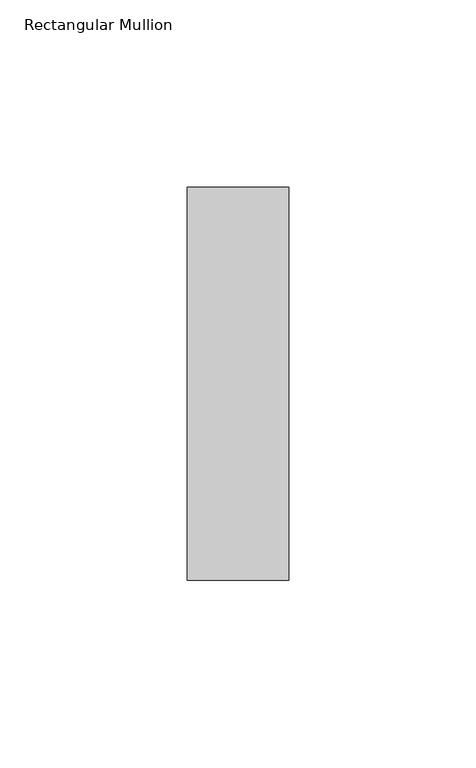
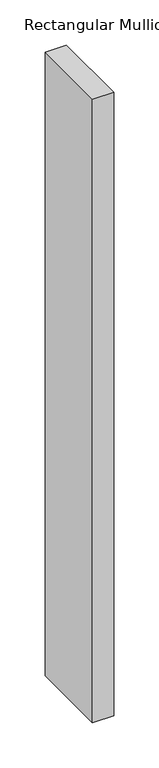
"""IFC4 building model written with IfcOpenShell, lengths in millimetres: member geometry, Rectangular Mullion."""

from ifc_helpers import new_model, si_unit, frame, origin, place, context, project, spatial, polyline, outline, extrude, source, transform, mapped, element, save


def rectangular_mullion_7db03156(model_context):
    return source(origin(), model_context, "Body", "SweptSolid", [
        extrude(outline(polyline([(0.0, 52.3975), (0.0, -52.3975), (-27.0, -52.3975), (-27.0, 52.3975), (0.0, 52.3975)])), frame((0.0, 0.0, -842.8333333), z_axis=(0.0, 0.0, 1.0), x_axis=(1.0, 0.0, 0.0)), (0.0, 0.0, 1.0), 842.8333333),
    ])


if __name__ == "__main__":
    model = new_model("IFC4")
    model_context = context("Model", 3, world=origin())
    ifc_project = project(units=[si_unit("LENGTHUNIT", "METRE", prefix="MILLI")], contexts=[model_context])
    site = spatial("IfcSite", under=ifc_project)
    building = spatial("IfcBuilding", under=site)
    placement = place(None, origin())
    rectangular_mullion_shape = rectangular_mullion_7db03156(model_context)
    element("IfcMember", 1, ObjectType="Rectangular Mullion", at=placement, inside=building, context=model_context, shape_type="MappedRepresentation", body=[
        mapped(rectangular_mullion_shape, transform((0.0, 0.0, 0.0), x_axis=(1.0, 0.0, 0.0), y_axis=(0.0, 1.0, 0.0), z_axis=(0.0, 0.0, 1.0))),
    ])
    save(model, "model.ifc")
